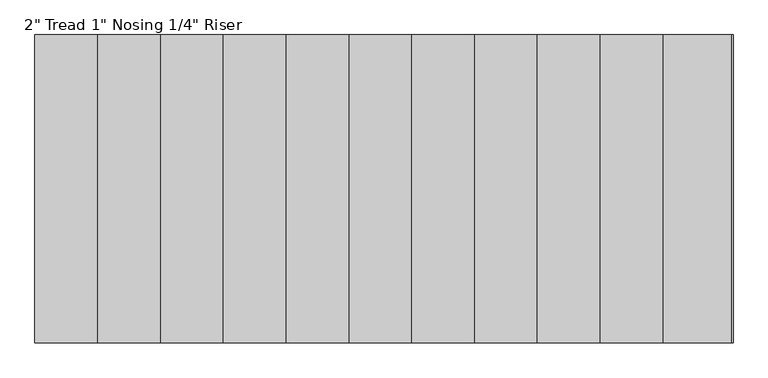
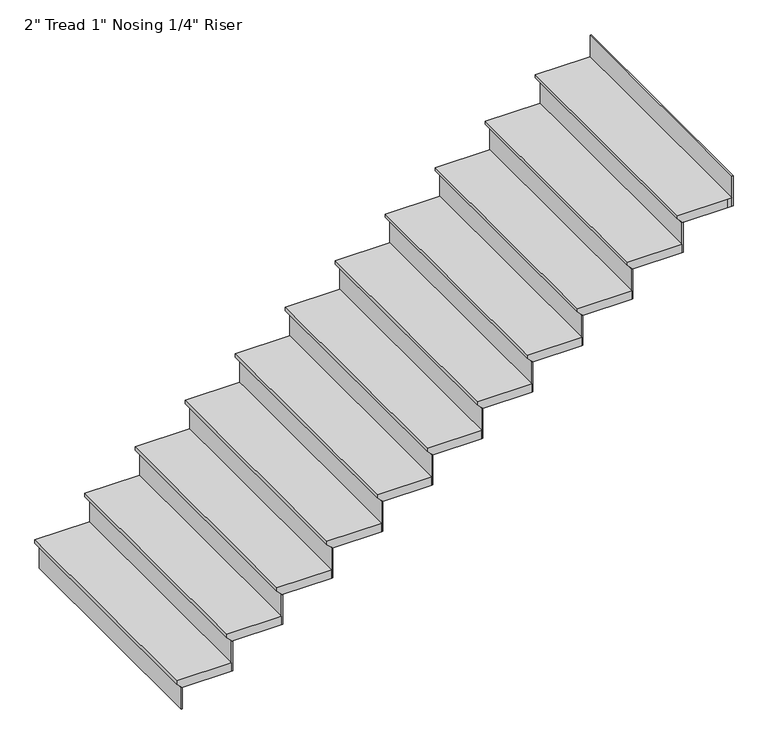
"""IFC4 building model written with IfcOpenShell, lengths in millimetres: stair flight geometry."""

from ifc_helpers import new_model, si_unit, origin, place, context, project, spatial, faceted_brep, source, transform, mapped, element, save


def stair_flight_e7c301ee(model_context):
    return source(origin(), model_context, "Body", "Brep", [
        faceted_brep([(-549346.7675922, -2942.7663899, -1874.3543478), (-549346.7675922, -2942.7663899, -1855.3043478), (-549346.7675922, -1571.1663899, -1855.3043478), (-549346.7675922, -1571.1663899, -1874.3543478), (-549321.3675922, -2942.7663899, -1899.7543478), (-549321.3675922, -1571.1663899, -1899.7543478), (-549041.9675922, -2942.7663899, -1855.3043478), (-549041.9675922, -1571.1663899, -1855.3043478), (-549321.3675922, -1571.1663899, -1906.1043478), (-549041.9675922, -1571.1663899, -1906.1043478), (-549041.9675922, -2942.7663899, -1906.1043478), (-549321.3675922, -2942.7663899, -1906.1043478)], [[[0, 1, 2, 3]], [[4, 0, 3, 5]], [[2, 1, 6, 7]], [[8, 9, 10, 11]], [[2, 7, 9, 8, 5, 3]], [[8, 11, 4, 5]], [[6, 1, 0, 4, 11, 10]], [[7, 6, 10, 9]]]),
        faceted_brep([(-549321.3675922, -2942.7663899, -1906.1043478), (-549321.3675922, -2942.7663899, -2032.0), (-549315.0175922, -2942.7663899, -2032.0), (-549315.0175922, -2942.7663899, -1906.1043478), (-549321.3675922, -1571.1663899, -1906.1043478), (-549315.0175922, -1571.1663899, -1906.1043478), (-549315.0175922, -1571.1663899, -2032.0), (-549321.3675922, -1571.1663899, -2032.0)], [[[0, 1, 2, 3]], [[4, 5, 6, 7]], [[1, 0, 4, 7]], [[2, 1, 7, 6]], [[3, 2, 6, 5]], [[0, 3, 5, 4]]]),
        faceted_brep([(-549041.9675922, -2942.7663899, -1729.4086957), (-549041.9675922, -2942.7663899, -1906.1043478), (-549035.6175922, -2942.7663899, -1906.1043478), (-549035.6175922, -2942.7663899, -1729.4086957), (-549041.9675922, -1571.1663899, -1729.4086957), (-549035.6175922, -1571.1663899, -1729.4086957), (-549035.6175922, -1571.1663899, -1906.1043478), (-549041.9675922, -1571.1663899, -1906.1043478)], [[[0, 1, 2, 3]], [[4, 5, 6, 7]], [[1, 0, 4, 7]], [[2, 1, 7, 6]], [[3, 2, 6, 5]], [[0, 3, 5, 4]]]),
        faceted_brep([(-549067.3675922, -1571.1663899, -1678.6086957), (-549067.3675922, -2942.7663899, -1678.6086957), (-548762.5675922, -2942.7663899, -1678.6086957), (-548762.5675922, -1571.1663899, -1678.6086957), (-549041.9675922, -1571.1663899, -1729.4086957), (-548762.5675922, -1571.1663899, -1729.4086957), (-548762.5675922, -2942.7663899, -1729.4086957), (-549041.9675922, -2942.7663899, -1729.4086957), (-549041.9675922, -1571.1663899, -1723.0586957), (-549067.3675922, -1571.1663899, -1697.6586957), (-549041.9675922, -2942.7663899, -1723.0586957), (-549067.3675922, -2942.7663899, -1697.6586957)], [[[0, 1, 2, 3]], [[4, 5, 6, 7]], [[0, 3, 5, 4, 8, 9]], [[4, 7, 10, 8]], [[2, 1, 11, 10, 7, 6]], [[3, 2, 6, 5]], [[11, 1, 0, 9]], [[10, 11, 9, 8]]]),
        faceted_brep([(-548762.5675922, -2942.7663899, -1552.7130435), (-548762.5675922, -2942.7663899, -1729.4086957), (-548756.2175922, -2942.7663899, -1729.4086957), (-548756.2175922, -2942.7663899, -1552.7130435), (-548762.5675922, -1571.1663899, -1552.7130435), (-548756.2175922, -1571.1663899, -1552.7130435), (-548756.2175922, -1571.1663899, -1729.4086957), (-548762.5675922, -1571.1663899, -1729.4086957)], [[[0, 1, 2, 3]], [[4, 5, 6, 7]], [[1, 0, 4, 7]], [[2, 1, 7, 6]], [[3, 2, 6, 5]], [[0, 3, 5, 4]]]),
        faceted_brep([(-548787.9675922, -1571.1663899, -1501.9130435), (-548787.9675922, -2942.7663899, -1501.9130435), (-548483.1675922, -2942.7663899, -1501.9130435), (-548483.1675922, -1571.1663899, -1501.9130435), (-548762.5675922, -1571.1663899, -1552.7130435), (-548483.1675922, -1571.1663899, -1552.7130435), (-548483.1675922, -2942.7663899, -1552.7130435), (-548762.5675922, -2942.7663899, -1552.7130435), (-548762.5675922, -1571.1663899, -1546.3630435), (-548787.9675922, -1571.1663899, -1520.9630435), (-548762.5675922, -2942.7663899, -1546.3630435), (-548787.9675922, -2942.7663899, -1520.9630435)], [[[0, 1, 2, 3]], [[4, 5, 6, 7]], [[0, 3, 5, 4, 8, 9]], [[4, 7, 10, 8]], [[2, 1, 11, 10, 7, 6]], [[3, 2, 6, 5]], [[11, 1, 0, 9]], [[10, 11, 9, 8]]]),
        faceted_brep([(-548483.1675922, -2942.7663899, -1376.0173913), (-548483.1675922, -2942.7663899, -1552.7130435), (-548476.8175922, -2942.7663899, -1552.7130435), (-548476.8175922, -2942.7663899, -1376.0173913), (-548483.1675922, -1571.1663899, -1376.0173913), (-548476.8175922, -1571.1663899, -1376.0173913), (-548476.8175922, -1571.1663899, -1552.7130435), (-548483.1675922, -1571.1663899, -1552.7130435)], [[[0, 1, 2, 3]], [[4, 5, 6, 7]], [[1, 0, 4, 7]], [[2, 1, 7, 6]], [[3, 2, 6, 5]], [[0, 3, 5, 4]]]),
        faceted_brep([(-548508.5675922, -1571.1663899, -1325.2173913), (-548508.5675922, -2942.7663899, -1325.2173913), (-548203.7675922, -2942.7663899, -1325.2173913), (-548203.7675922, -1571.1663899, -1325.2173913), (-548483.1675922, -1571.1663899, -1376.0173913), (-548203.7675922, -1571.1663899, -1376.0173913), (-548203.7675922, -2942.7663899, -1376.0173913), (-548483.1675922, -2942.7663899, -1376.0173913), (-548483.1675922, -1571.1663899, -1369.6673913), (-548508.5675922, -1571.1663899, -1344.2673913), (-548483.1675922, -2942.7663899, -1369.6673913), (-548508.5675922, -2942.7663899, -1344.2673913)], [[[0, 1, 2, 3]], [[4, 5, 6, 7]], [[0, 3, 5, 4, 8, 9]], [[4, 7, 10, 8]], [[2, 1, 11, 10, 7, 6]], [[3, 2, 6, 5]], [[11, 1, 0, 9]], [[10, 11, 9, 8]]]),
        faceted_brep([(-548203.7675922, -2942.7663899, -1199.3217391), (-548203.7675922, -2942.7663899, -1376.0173913), (-548197.4175922, -2942.7663899, -1376.0173913), (-548197.4175922, -2942.7663899, -1199.3217391), (-548203.7675922, -1571.1663899, -1199.3217391), (-548197.4175922, -1571.1663899, -1199.3217391), (-548197.4175922, -1571.1663899, -1376.0173913), (-548203.7675922, -1571.1663899, -1376.0173913)], [[[0, 1, 2, 3]], [[4, 5, 6, 7]], [[1, 0, 4, 7]], [[2, 1, 7, 6]], [[3, 2, 6, 5]], [[0, 3, 5, 4]]]),
        faceted_brep([(-548229.1675922, -1571.1663899, -1148.5217391), (-548229.1675922, -2942.7663899, -1148.5217391), (-547924.3675922, -2942.7663899, -1148.5217391), (-547924.3675922, -1571.1663899, -1148.5217391), (-548203.7675922, -1571.1663899, -1199.3217391), (-547924.3675922, -1571.1663899, -1199.3217391), (-547924.3675922, -2942.7663899, -1199.3217391), (-548203.7675922, -2942.7663899, -1199.3217391), (-548203.7675922, -1571.1663899, -1192.9717391), (-548229.1675922, -1571.1663899, -1167.5717391), (-548203.7675922, -2942.7663899, -1192.9717391), (-548229.1675922, -2942.7663899, -1167.5717391)], [[[0, 1, 2, 3]], [[4, 5, 6, 7]], [[0, 3, 5, 4, 8, 9]], [[4, 7, 10, 8]], [[2, 1, 11, 10, 7, 6]], [[3, 2, 6, 5]], [[11, 1, 0, 9]], [[10, 11, 9, 8]]]),
        faceted_brep([(-547924.3675922, -2942.7663899, -1022.626087), (-547924.3675922, -2942.7663899, -1199.3217391), (-547918.0175922, -2942.7663899, -1199.3217391), (-547918.0175922, -2942.7663899, -1022.626087), (-547924.3675922, -1571.1663899, -1022.626087), (-547918.0175922, -1571.1663899, -1022.626087), (-547918.0175922, -1571.1663899, -1199.3217391), (-547924.3675922, -1571.1663899, -1199.3217391)], [[[0, 1, 2, 3]], [[4, 5, 6, 7]], [[1, 0, 4, 7]], [[2, 1, 7, 6]], [[3, 2, 6, 5]], [[0, 3, 5, 4]]]),
        faceted_brep([(-547949.7675922, -1571.1663899, -971.826087), (-547949.7675922, -2942.7663899, -971.826087), (-547644.9675922, -2942.7663899, -971.826087), (-547644.9675922, -1571.1663899, -971.826087), (-547924.3675922, -1571.1663899, -1022.626087), (-547644.9675922, -1571.1663899, -1022.626087), (-547644.9675922, -2942.7663899, -1022.626087), (-547924.3675922, -2942.7663899, -1022.626087), (-547924.3675922, -1571.1663899, -1016.276087), (-547949.7675922, -1571.1663899, -990.876087), (-547924.3675922, -2942.7663899, -1016.276087), (-547949.7675922, -2942.7663899, -990.876087)], [[[0, 1, 2, 3]], [[4, 5, 6, 7]], [[0, 3, 5, 4, 8, 9]], [[4, 7, 10, 8]], [[2, 1, 11, 10, 7, 6]], [[3, 2, 6, 5]], [[11, 1, 0, 9]], [[10, 11, 9, 8]]]),
        faceted_brep([(-547644.9675922, -2942.7663899, -845.9304348), (-547644.9675922, -2942.7663899, -1022.626087), (-547638.6175922, -2942.7663899, -1022.626087), (-547638.6175922, -2942.7663899, -845.9304348), (-547644.9675922, -1571.1663899, -845.9304348), (-547638.6175922, -1571.1663899, -845.9304348), (-547638.6175922, -1571.1663899, -1022.626087), (-547644.9675922, -1571.1663899, -1022.626087)], [[[0, 1, 2, 3]], [[4, 5, 6, 7]], [[1, 0, 4, 7]], [[2, 1, 7, 6]], [[3, 2, 6, 5]], [[0, 3, 5, 4]]]),
        faceted_brep([(-547670.3675922, -1571.1663899, -795.1304348), (-547670.3675922, -2942.7663899, -795.1304348), (-547365.5675922, -2942.7663899, -795.1304348), (-547365.5675922, -1571.1663899, -795.1304348), (-547644.9675922, -1571.1663899, -845.9304348), (-547365.5675922, -1571.1663899, -845.9304348), (-547365.5675922, -2942.7663899, -845.9304348), (-547644.9675922, -2942.7663899, -845.9304348), (-547644.9675922, -1571.1663899, -839.5804348), (-547670.3675922, -1571.1663899, -814.1804348), (-547644.9675922, -2942.7663899, -839.5804348), (-547670.3675922, -2942.7663899, -814.1804348)], [[[0, 1, 2, 3]], [[4, 5, 6, 7]], [[0, 3, 5, 4, 8, 9]], [[4, 7, 10, 8]], [[2, 1, 11, 10, 7, 6]], [[3, 2, 6, 5]], [[11, 1, 0, 9]], [[10, 11, 9, 8]]]),
        faceted_brep([(-547365.5675922, -2942.7663899, -669.2347826), (-547365.5675922, -2942.7663899, -845.9304348), (-547359.2175922, -2942.7663899, -845.9304348), (-547359.2175922, -2942.7663899, -669.2347826), (-547365.5675922, -1571.1663899, -669.2347826), (-547359.2175922, -1571.1663899, -669.2347826), (-547359.2175922, -1571.1663899, -845.9304348), (-547365.5675922, -1571.1663899, -845.9304348)], [[[0, 1, 2, 3]], [[4, 5, 6, 7]], [[1, 0, 4, 7]], [[2, 1, 7, 6]], [[3, 2, 6, 5]], [[0, 3, 5, 4]]]),
        faceted_brep([(-547390.9675922, -1571.1663899, -618.4347826), (-547390.9675922, -2942.7663899, -618.4347826), (-547086.1675922, -2942.7663899, -618.4347826), (-547086.1675922, -1571.1663899, -618.4347826), (-547365.5675922, -1571.1663899, -669.2347826), (-547086.1675922, -1571.1663899, -669.2347826), (-547086.1675922, -2942.7663899, -669.2347826), (-547365.5675922, -2942.7663899, -669.2347826), (-547365.5675922, -1571.1663899, -662.8847826), (-547390.9675922, -1571.1663899, -637.4847826), (-547365.5675922, -2942.7663899, -662.8847826), (-547390.9675922, -2942.7663899, -637.4847826)], [[[0, 1, 2, 3]], [[4, 5, 6, 7]], [[0, 3, 5, 4, 8, 9]], [[4, 7, 10, 8]], [[2, 1, 11, 10, 7, 6]], [[3, 2, 6, 5]], [[11, 1, 0, 9]], [[10, 11, 9, 8]]]),
        faceted_brep([(-547086.1675922, -2942.7663899, -492.5391304), (-547086.1675922, -2942.7663899, -669.2347826), (-547079.8175922, -2942.7663899, -669.2347826), (-547079.8175922, -2942.7663899, -492.5391304), (-547086.1675922, -1571.1663899, -492.5391304), (-547079.8175922, -1571.1663899, -492.5391304), (-547079.8175922, -1571.1663899, -669.2347826), (-547086.1675922, -1571.1663899, -669.2347826)], [[[0, 1, 2, 3]], [[4, 5, 6, 7]], [[1, 0, 4, 7]], [[2, 1, 7, 6]], [[3, 2, 6, 5]], [[0, 3, 5, 4]]]),
        faceted_brep([(-547111.5675922, -1571.1663899, -441.7391304), (-547111.5675922, -2942.7663899, -441.7391304), (-546806.7675922, -2942.7663899, -441.7391304), (-546806.7675922, -1571.1663899, -441.7391304), (-547086.1675922, -1571.1663899, -492.5391304), (-546806.7675922, -1571.1663899, -492.5391304), (-546806.7675922, -2942.7663899, -492.5391304), (-547086.1675922, -2942.7663899, -492.5391304), (-547086.1675922, -1571.1663899, -486.1891304), (-547111.5675922, -1571.1663899, -460.7891304), (-547086.1675922, -2942.7663899, -486.1891304), (-547111.5675922, -2942.7663899, -460.7891304)], [[[0, 1, 2, 3]], [[4, 5, 6, 7]], [[0, 3, 5, 4, 8, 9]], [[4, 7, 10, 8]], [[2, 1, 11, 10, 7, 6]], [[3, 2, 6, 5]], [[11, 1, 0, 9]], [[10, 11, 9, 8]]]),
        faceted_brep([(-546806.7675922, -2942.7663899, -315.8434783), (-546806.7675922, -2942.7663899, -492.5391304), (-546800.4175922, -2942.7663899, -492.5391304), (-546800.4175922, -2942.7663899, -315.8434783), (-546806.7675922, -1571.1663899, -315.8434783), (-546800.4175922, -1571.1663899, -315.8434783), (-546800.4175922, -1571.1663899, -492.5391304), (-546806.7675922, -1571.1663899, -492.5391304)], [[[0, 1, 2, 3]], [[4, 5, 6, 7]], [[1, 0, 4, 7]], [[2, 1, 7, 6]], [[3, 2, 6, 5]], [[0, 3, 5, 4]]]),
        faceted_brep([(-546832.1675922, -1571.1663899, -265.0434783), (-546832.1675922, -2942.7663899, -265.0434783), (-546527.3675922, -2942.7663899, -265.0434783), (-546527.3675922, -1571.1663899, -265.0434783), (-546806.7675922, -1571.1663899, -315.8434783), (-546527.3675922, -1571.1663899, -315.8434783), (-546527.3675922, -2942.7663899, -315.8434783), (-546806.7675922, -2942.7663899, -315.8434783), (-546806.7675922, -1571.1663899, -309.4934783), (-546832.1675922, -1571.1663899, -284.0934783), (-546806.7675922, -2942.7663899, -309.4934783), (-546832.1675922, -2942.7663899, -284.0934783)], [[[0, 1, 2, 3]], [[4, 5, 6, 7]], [[0, 3, 5, 4, 8, 9]], [[4, 7, 10, 8]], [[2, 1, 11, 10, 7, 6]], [[3, 2, 6, 5]], [[11, 1, 0, 9]], [[10, 11, 9, 8]]]),
        faceted_brep([(-546247.9675922, -2942.7663899, 37.5478261), (-546247.9675922, -2942.7663899, -139.1478261), (-546241.6175922, -2942.7663899, -139.1478261), (-546241.6175922, -2942.7663899, 37.5478261), (-546247.9675922, -1571.1663899, 37.5478261), (-546241.6175922, -1571.1663899, 37.5478261), (-546241.6175922, -1571.1663899, -139.1478261), (-546247.9675922, -1571.1663899, -139.1478261)], [[[0, 1, 2, 3]], [[4, 5, 6, 7]], [[1, 0, 4, 7]], [[2, 1, 7, 6]], [[3, 2, 6, 5]], [[0, 3, 5, 4]]]),
        faceted_brep([(-546527.3675922, -2942.7663899, -139.1478261), (-546527.3675922, -2942.7663899, -315.8434783), (-546521.0175922, -2942.7663899, -315.8434783), (-546521.0175922, -2942.7663899, -139.1478261), (-546527.3675922, -1571.1663899, -139.1478261), (-546521.0175922, -1571.1663899, -139.1478261), (-546521.0175922, -1571.1663899, -315.8434783), (-546527.3675922, -1571.1663899, -315.8434783)], [[[0, 1, 2, 3]], [[4, 5, 6, 7]], [[1, 0, 4, 7]], [[2, 1, 7, 6]], [[3, 2, 6, 5]], [[0, 3, 5, 4]]]),
        faceted_brep([(-546247.9675922, -1571.1663899, -88.3478261), (-546273.3675922, -1571.1663899, -88.3478261), (-546552.7675922, -1571.1663899, -88.3478261), (-546552.7675922, -2942.7663899, -88.3478261), (-546273.3675922, -2942.7663899, -88.3478261), (-546247.9675922, -2942.7663899, -88.3478261), (-546273.3675922, -1571.1663899, -139.1478261), (-546247.9675922, -1571.1663899, -139.1478261), (-546247.9675922, -2942.7663899, -139.1478261), (-546273.3675922, -2942.7663899, -139.1478261), (-546527.3675922, -2942.7663899, -139.1478261), (-546527.3675922, -1571.1663899, -139.1478261), (-546527.3675922, -1571.1663899, -132.7978261), (-546552.7675922, -1571.1663899, -107.3978261), (-546527.3675922, -2942.7663899, -132.7978261), (-546552.7675922, -2942.7663899, -107.3978261)], [[[0, 1, 2, 3, 4, 5]], [[6, 7, 8, 9, 10, 11]], [[1, 0, 7, 6]], [[2, 1, 6, 11, 12, 13]], [[11, 10, 14, 12]], [[4, 3, 15, 14, 10, 9]], [[5, 4, 9, 8]], [[0, 5, 8, 7]], [[15, 3, 2, 13]], [[14, 15, 13, 12]]]),
    ])


if __name__ == "__main__":
    model = new_model("IFC4")
    model_context = context("Model", 3, world=origin())
    ifc_project = project(units=[si_unit("LENGTHUNIT", "METRE", prefix="MILLI")], contexts=[model_context])
    site = spatial("IfcSite", under=ifc_project)
    building = spatial("IfcBuilding", under=site)
    placement = place(None, origin())
    stair_flight_shape = stair_flight_e7c301ee(model_context)
    element("IfcStairFlight", 1, ObjectType="2\" Tread 1\" Nosing 1/4\" Riser", at=placement, inside=building, context=model_context, shape_type="MappedRepresentation", body=[
        mapped(stair_flight_shape, transform((0.0, 0.0, 0.0), x_axis=(1.0, 0.0, 0.0), y_axis=(0.0, 1.0, 0.0), z_axis=(0.0, 0.0, 1.0))),
    ])
    save(model, "model.ifc")
